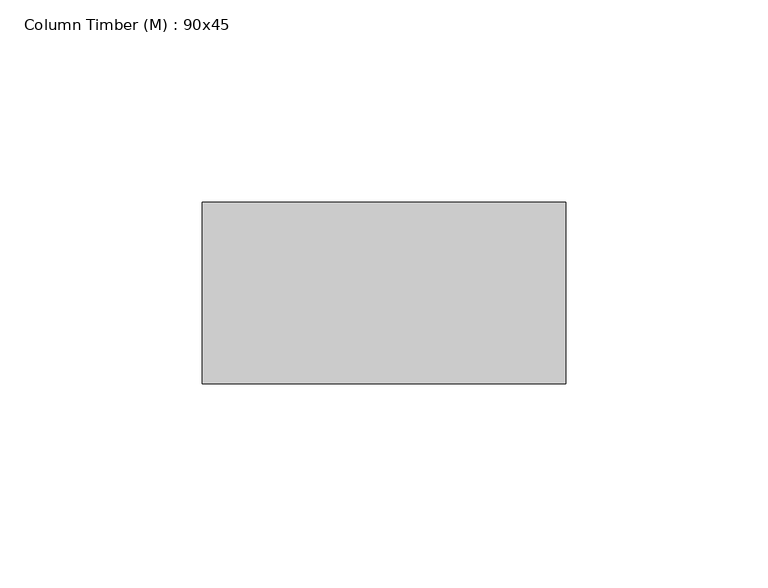
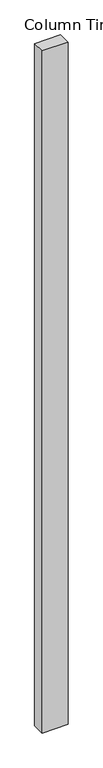
"""IFC4 building model written with IfcOpenShell, lengths in millimetres: column geometry, Column Timber (M) : 90x45."""

from ifc_helpers import new_model, si_unit, frame, origin, place, context, project, spatial, polyline, outline, extrude, source, transform, mapped, element, save


def column_timber_m_90x45_7c62bb79(model_context):
    return source(origin(), model_context, "Body", "SweptSolid", [
        extrude(outline(polyline([(45.0, 22.5), (45.0, -22.5), (-45.0, -22.5), (-45.0, 22.5), (45.0, 22.5)])), frame((0.0, 0.0, -2500.0), z_axis=(0.0, 0.0, 1.0), x_axis=(1.0, 0.0, 0.0)), (0.0, 0.0, 1.0), 2500.0),
    ])


if __name__ == "__main__":
    model = new_model("IFC4")
    model_context = context("Model", 3, world=origin())
    ifc_project = project(units=[si_unit("LENGTHUNIT", "METRE", prefix="MILLI")], contexts=[model_context])
    site = spatial("IfcSite", under=ifc_project)
    building = spatial("IfcBuilding", under=site)
    placement = place(None, origin())
    column_timber_m_90x45_shape = column_timber_m_90x45_7c62bb79(model_context)
    element("IfcColumn", 1, ObjectType="Column Timber (M) : 90x45", at=placement, inside=building, context=model_context, shape_type="MappedRepresentation", body=[
        mapped(column_timber_m_90x45_shape, transform((0.0, 0.0, 0.0), x_axis=(1.0, 0.0, 0.0), y_axis=(0.0, 1.0, 0.0), z_axis=(0.0, 0.0, 1.0))),
    ])
    save(model, "model.ifc")
